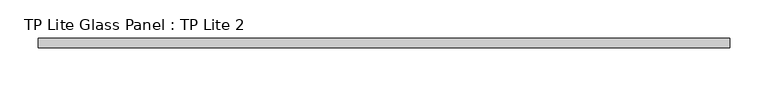
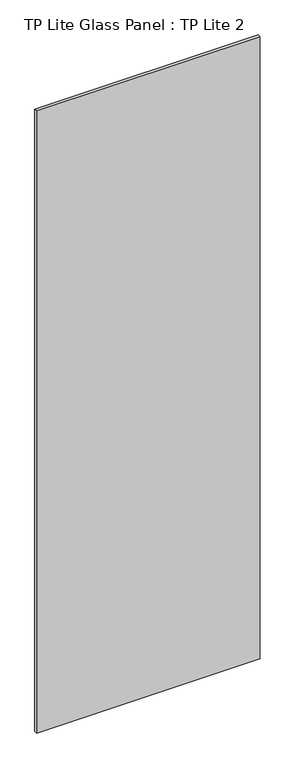
"""IFC4 building model written with IfcOpenShell, lengths in millimetres: plate geometry, TP Lite Glass Panel : TP Lite 2."""

from ifc_helpers import new_model, si_unit, origin, origin_with_axes, place, context, project, spatial, polyline, outline, extrude, source, transform, mapped, element, save


def tp_lite_glass_panel_tp_lite_2_8a4ae046(model_context):
    return source(origin(), model_context, "Body", "SweptSolid", [
        extrude(outline(polyline([(449.0, -6.0), (-449.0, -6.0), (-449.0, 6.0), (449.0, 6.0), (449.0, -6.0)])), origin_with_axes(), (0.0, 0.0, 1.0), 2640.0000015),
    ])


if __name__ == "__main__":
    model = new_model("IFC4")
    model_context = context("Model", 3, world=origin())
    ifc_project = project(units=[si_unit("LENGTHUNIT", "METRE", prefix="MILLI")], contexts=[model_context])
    site = spatial("IfcSite", under=ifc_project)
    building = spatial("IfcBuilding", under=site)
    placement = place(None, origin())
    tp_lite_glass_panel_tp_lite_2_shape = tp_lite_glass_panel_tp_lite_2_8a4ae046(model_context)
    element("IfcPlate", 1, ObjectType="TP Lite Glass Panel : TP Lite 2", at=placement, inside=building, context=model_context, shape_type="MappedRepresentation", body=[
        mapped(tp_lite_glass_panel_tp_lite_2_shape, transform((0.0, 0.0, 0.0), x_axis=(1.0, 0.0, 0.0), y_axis=(0.0, 1.0, 0.0), z_axis=(0.0, 0.0, 1.0))),
    ])
    save(model, "model.ifc")
